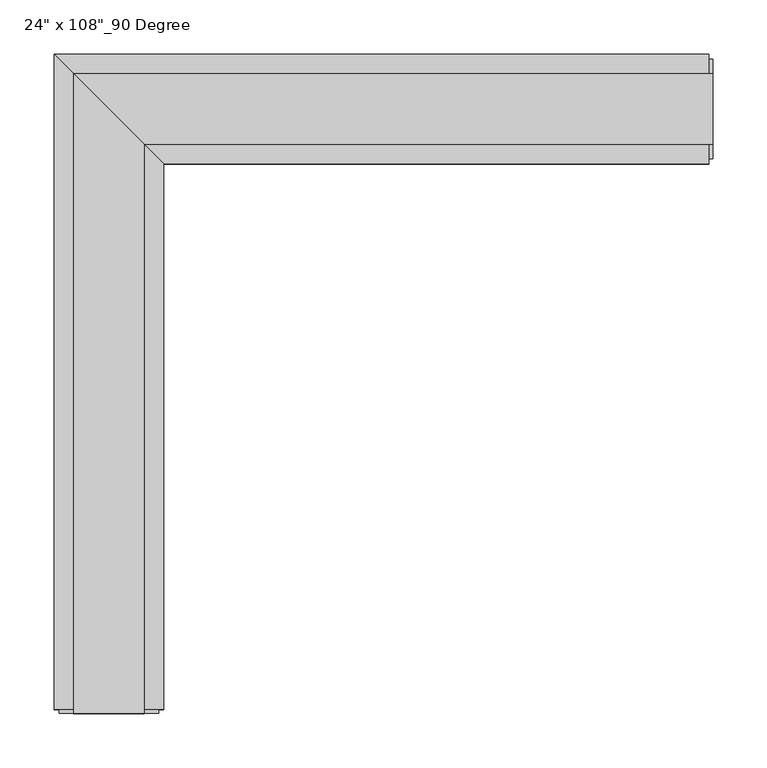
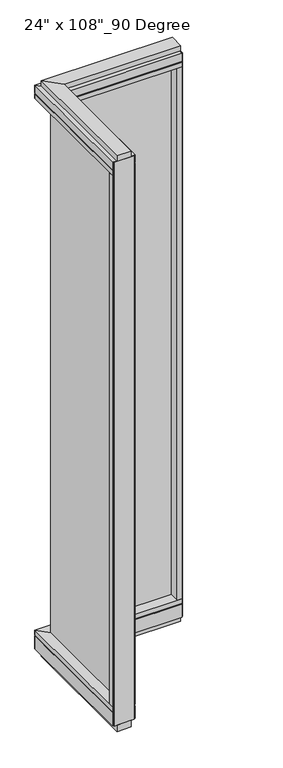
"""IFC4 building model written with IfcOpenShell, lengths in millimetres: furniture geometry."""

from ifc_helpers import new_model, si_unit, frame, origin, origin_with_axes, place, context, project, spatial, polyline, outline, extrude, faceted_brep, source, transform, mapped, element, save


def furniture_341b90e2(model_context):
    return source(origin(), model_context, "Body", "SolidModel", [
        extrude(outline(polyline([(-319.1165229, -528.1202784), (-319.1165229, 9.5977216), (-308.9565229, 9.5977216), (-308.9565229, -528.1202784), (-319.1165229, -528.1202784)])), frame((0.0, 0.0, 120.523), z_axis=(0.0, 0.0, 1.0), x_axis=(1.0, 0.0, 0.0)), (0.0, 0.0, 1.0), 2533.777),
        extrude(outline(polyline([(-263.2365229, -550.3452784), (-364.8365229, -550.3452784), (-364.8365229, 55.3177216), (-263.2365229, -46.2822784), (-263.2365229, -550.3452784)])), frame((0.0, 0.0, 2654.3), z_axis=(0.0, 0.0, 1.0), x_axis=(1.0, 0.0, 0.0)), (0.0, 0.0, 1.0), 22.225),
        faceted_brep([(-263.2365229, -46.2822784, 2681.478), (-268.1895229, -41.3292784, 2681.478), (-268.1895229, -41.3292784, 2676.525), (-359.8835229, 50.3647216, 2676.525), (-359.8835229, 50.3647216, 2681.478), (-364.8365229, 55.3177216, 2681.478), (-364.8365229, 55.3177216, 2717.8), (-263.2365229, -46.2822784, 2717.8), (-263.2365229, -550.3452784, 2681.478), (-263.2365229, -550.3452784, 2717.8), (-364.8365229, -550.3452784, 2717.8), (-364.8365229, -550.3452784, 2681.478), (-359.8835229, -550.3452784, 2681.478), (-359.8835229, -550.3452784, 2676.525), (-268.1895229, -550.3452784, 2676.525), (-268.1895229, -550.3452784, 2681.478)], [[[0, 1, 2, 3, 4, 5, 6, 7]], [[8, 9, 10, 11, 12, 13, 14, 15]], [[8, 15, 1, 0]], [[11, 10, 6, 5]], [[10, 9, 7, 6]], [[9, 8, 0, 7]], [[15, 14, 2, 1]], [[14, 13, 3, 2]], [[13, 12, 4, 3]], [[12, 11, 5, 4]]]),
        extrude(outline(polyline([(-281.5245229, -554.2822784), (-346.5485229, -554.2822784), (-346.5485229, 37.0297216), (-281.5245229, -27.9942784), (-281.5245229, -554.2822784)])), frame((0.0, 0.0, 2717.8), z_axis=(0.0, 0.0, 1.0), x_axis=(1.0, 0.0, 0.0)), (0.0, 0.0, 1.0), 25.4),
        faceted_brep([(-268.1895229, -41.3292784, 93.345), (-263.2365229, -46.2822784, 93.345), (-263.2365229, -46.2822784, 31.75), (-364.8365229, 55.3177216, 31.75), (-364.8365229, 55.3177216, 93.345), (-359.8835229, 50.3647216, 93.345), (-359.8835229, 50.3647216, 98.298), (-268.1895229, -41.3292784, 98.298), (-263.2365229, -550.3452784, 93.345), (-268.1895229, -550.3452784, 93.345), (-268.1895229, -550.3452784, 98.298), (-359.8835229, -550.3452784, 98.298), (-359.8835229, -550.3452784, 93.345), (-364.8365229, -550.3452784, 93.345), (-364.8365229, -550.3452784, 31.75), (-263.2365229, -550.3452784, 31.75)], [[[0, 1, 2, 3, 4, 5, 6, 7]], [[8, 9, 10, 11, 12, 13, 14, 15]], [[9, 8, 1, 0]], [[14, 13, 4, 3]], [[15, 14, 3, 2]], [[8, 15, 2, 1]], [[10, 9, 0, 7]], [[11, 10, 7, 6]], [[12, 11, 6, 5]], [[13, 12, 5, 4]]]),
        extrude(outline(polyline([(-263.2365229, -550.3452784), (-364.8365229, -550.3452784), (-364.8365229, 55.3177216), (-263.2365229, -46.2822784), (-263.2365229, -550.3452784)])), frame((0.0, 0.0, 98.298), z_axis=(0.0, 0.0, 1.0), x_axis=(1.0, 0.0, 0.0)), (0.0, 0.0, 1.0), 22.225),
        extrude(outline(polyline([(-281.5245229, -554.2822784), (-346.5485229, -554.2822784), (-346.5485229, 37.0297216), (-281.5245229, -27.9942784), (-281.5245229, -554.2822784)])), origin_with_axes(), (0.0, 0.0, 1.0), 31.75),
        extrude(outline(polyline([(-364.8365229, -528.1202784), (-263.2365229, -528.1202784), (-263.2365229, -550.3452784), (-364.8365229, -550.3452784), (-364.8365229, -528.1202784)])), frame((0.0, 0.0, 120.523), z_axis=(0.0, 0.0, 1.0), x_axis=(1.0, 0.0, 0.0)), (0.0, 0.0, 1.0), 2533.777),
        extrude(outline(polyline([(-359.8835229, -554.2822784), (-359.8835229, -550.3452784), (-268.1895229, -550.3452784), (-268.1895229, -554.2822784), (-359.8835229, -554.2822784)])), frame((0.0, 0.0, 31.75), z_axis=(0.0, 0.0, 1.0), x_axis=(1.0, 0.0, 0.0)), (0.0, 0.0, 1.0), 2686.05),
        extrude(outline(polyline([(218.6014771, 9.5977216), (218.6014771, -0.5622784), (-319.1165229, -0.5622784), (-319.1165229, 9.5977216), (218.6014771, 9.5977216)])), frame((0.0, 0.0, 120.523), z_axis=(0.0, 0.0, 1.0), x_axis=(1.0, 0.0, 0.0)), (0.0, 0.0, 1.0), 2533.777),
        extrude(outline(polyline([(240.8264771, -46.2822784), (-263.2365229, -46.2822784), (-364.8365229, 55.3177216), (240.8264771, 55.3177216), (240.8264771, -46.2822784)])), frame((0.0, 0.0, 2654.3), z_axis=(0.0, 0.0, 1.0), x_axis=(1.0, 0.0, 0.0)), (0.0, 0.0, 1.0), 22.225),
        faceted_brep([(-263.2365229, -46.2822784, 2681.478), (-263.2365229, -46.2822784, 2717.8), (-364.8365229, 55.3177216, 2717.8), (-364.8365229, 55.3177216, 2681.478), (-359.8835229, 50.3647216, 2681.478), (-359.8835229, 50.3647216, 2676.525), (-268.1895229, -41.3292784, 2676.525), (-268.1895229, -41.3292784, 2681.478), (240.8264771, -46.2822784, 2681.478), (240.8264771, -41.3292784, 2681.478), (240.8264771, -41.3292784, 2676.525), (240.8264771, 50.3647216, 2676.525), (240.8264771, 50.3647216, 2681.478), (240.8264771, 55.3177216, 2681.478), (240.8264771, 55.3177216, 2717.8), (240.8264771, -46.2822784, 2717.8)], [[[0, 1, 2, 3, 4, 5, 6, 7]], [[8, 9, 10, 11, 12, 13, 14, 15]], [[8, 0, 7, 9]], [[13, 3, 2, 14]], [[14, 2, 1, 15]], [[15, 1, 0, 8]], [[9, 7, 6, 10]], [[10, 6, 5, 11]], [[11, 5, 4, 12]], [[12, 4, 3, 13]]]),
        extrude(outline(polyline([(244.7634771, -27.9942784), (-281.5245229, -27.9942784), (-346.5485229, 37.0297216), (244.7634771, 37.0297216), (244.7634771, -27.9942784)])), frame((0.0, 0.0, 2717.8), z_axis=(0.0, 0.0, 1.0), x_axis=(1.0, 0.0, 0.0)), (0.0, 0.0, 1.0), 25.4),
        faceted_brep([(-268.1895229, -41.3292784, 93.345), (-268.1895229, -41.3292784, 98.298), (-359.8835229, 50.3647216, 98.298), (-359.8835229, 50.3647216, 93.345), (-364.8365229, 55.3177216, 93.345), (-364.8365229, 55.3177216, 31.75), (-263.2365229, -46.2822784, 31.75), (-263.2365229, -46.2822784, 93.345), (240.8264771, -46.2822784, 93.345), (240.8264771, -46.2822784, 31.75), (240.8264771, 55.3177216, 31.75), (240.8264771, 55.3177216, 93.345), (240.8264771, 50.3647216, 93.345), (240.8264771, 50.3647216, 98.298), (240.8264771, -41.3292784, 98.298), (240.8264771, -41.3292784, 93.345)], [[[0, 1, 2, 3, 4, 5, 6, 7]], [[8, 9, 10, 11, 12, 13, 14, 15]], [[15, 0, 7, 8]], [[10, 5, 4, 11]], [[9, 6, 5, 10]], [[8, 7, 6, 9]], [[14, 1, 0, 15]], [[13, 2, 1, 14]], [[12, 3, 2, 13]], [[11, 4, 3, 12]]]),
        extrude(outline(polyline([(240.8264771, -46.2822784), (-263.2365229, -46.2822784), (-364.8365229, 55.3177216), (240.8264771, 55.3177216), (240.8264771, -46.2822784)])), frame((0.0, 0.0, 98.298), z_axis=(0.0, 0.0, 1.0), x_axis=(1.0, 0.0, 0.0)), (0.0, 0.0, 1.0), 22.225),
        extrude(outline(polyline([(244.7634771, -27.9942784), (-281.5245229, -27.9942784), (-346.5485229, 37.0297216), (244.7634771, 37.0297216), (244.7634771, -27.9942784)])), origin_with_axes(), (0.0, 0.0, 1.0), 31.75),
        extrude(outline(polyline([(218.6014771, 55.3177216), (240.8264771, 55.3177216), (240.8264771, -46.2822784), (218.6014771, -46.2822784), (218.6014771, 55.3177216)])), frame((0.0, 0.0, 120.523), z_axis=(0.0, 0.0, 1.0), x_axis=(1.0, 0.0, 0.0)), (0.0, 0.0, 1.0), 2533.777),
        extrude(outline(polyline([(244.7634771, 50.3647216), (244.7634771, -41.3292784), (240.8264771, -41.3292784), (240.8264771, 50.3647216), (244.7634771, 50.3647216)])), frame((0.0, 0.0, 31.75), z_axis=(0.0, 0.0, 1.0), x_axis=(1.0, 0.0, 0.0)), (0.0, 0.0, 1.0), 2686.05),
    ])


if __name__ == "__main__":
    model = new_model("IFC4")
    model_context = context("Model", 3, world=origin())
    ifc_project = project(units=[si_unit("LENGTHUNIT", "METRE", prefix="MILLI")], contexts=[model_context])
    site = spatial("IfcSite", under=ifc_project)
    building = spatial("IfcBuilding", under=site)
    placement = place(None, origin())
    furniture_shape = furniture_341b90e2(model_context)
    element("IfcFurniture", 1, ObjectType="24\" x 108\"_90 Degree", at=placement, inside=building, context=model_context, shape_type="MappedRepresentation", body=[
        mapped(furniture_shape, transform((0.0, 0.0, 0.0), x_axis=(1.0, 0.0, 0.0), y_axis=(0.0, 1.0, 0.0), z_axis=(0.0, 0.0, 1.0))),
    ])
    save(model, "model.ifc")
